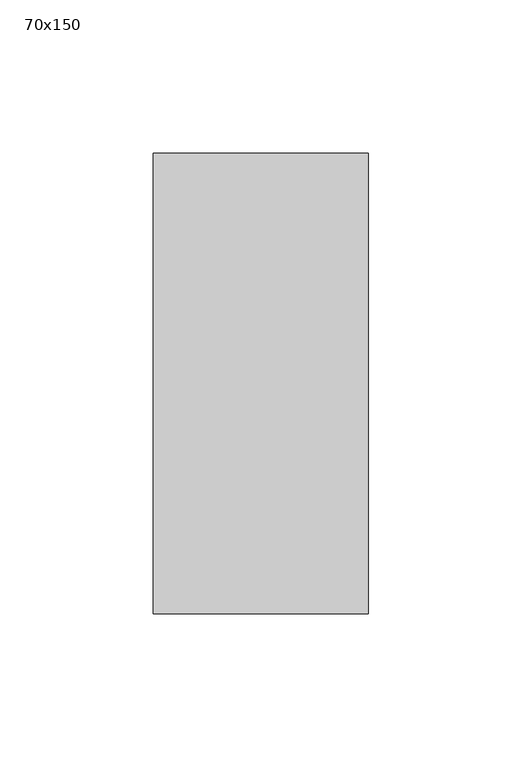
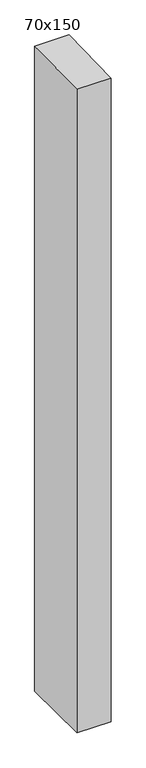
"""IFC4 building model written with IfcOpenShell, lengths in millimetres: member geometry, 70x150."""

from ifc_helpers import new_model, si_unit, frame, origin, place, context, project, spatial, polyline, outline, extrude, source, transform, mapped, element, save


def member_70x150_36418c2b(model_context):
    return source(origin(), model_context, "Body", "SweptSolid", [
        extrude(outline(polyline([(-75.0, -1.3892003), (75.0, 1.3892003), (75.0, -1395.6308999), (-75.0, -1395.2323715), (-75.0, -1.3892003)])), frame((-70.0, 0.0, 0.0), z_axis=(1.0, 0.0, 0.0), x_axis=(0.0, 1.0, 0.0)), (0.0, 0.0, 1.0), 70.0),
    ])


if __name__ == "__main__":
    model = new_model("IFC4")
    model_context = context("Model", 3, world=origin())
    ifc_project = project(units=[si_unit("LENGTHUNIT", "METRE", prefix="MILLI")], contexts=[model_context])
    site = spatial("IfcSite", under=ifc_project)
    building = spatial("IfcBuilding", under=site)
    placement = place(None, origin())
    member_70x150_shape = member_70x150_36418c2b(model_context)
    element("IfcMember", 1, ObjectType="70x150", at=placement, inside=building, context=model_context, shape_type="MappedRepresentation", body=[
        mapped(member_70x150_shape, transform((0.0, 0.0, 0.0), x_axis=(1.0, 0.0, 0.0), y_axis=(0.0, 1.0, 0.0), z_axis=(0.0, 0.0, 1.0))),
    ])
    save(model, "model.ifc")
